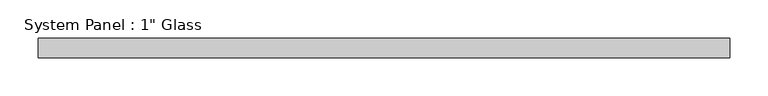
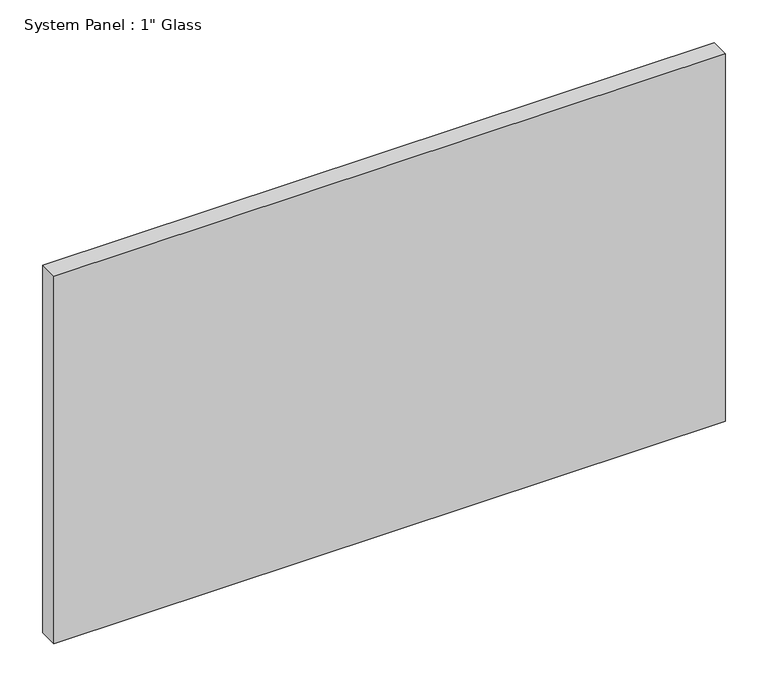
"""IFC4 building model written with IfcOpenShell, lengths in millimetres: plate geometry."""

from ifc_helpers import new_model, si_unit, origin, origin_with_axes, place, context, project, spatial, polyline, outline, extrude, source, transform, mapped, element, save


def plate_682e4c36(model_context):
    return source(origin(), model_context, "Body", "SweptSolid", [
        extrude(outline(polyline([(452.4375, -12.7), (-452.4375, -12.7), (-452.4375, 12.7), (452.4375, 12.7), (452.4375, -12.7)])), origin_with_axes(), (0.0, 0.0, 1.0), 523.875),
    ])


if __name__ == "__main__":
    model = new_model("IFC4")
    model_context = context("Model", 3, world=origin())
    ifc_project = project(units=[si_unit("LENGTHUNIT", "METRE", prefix="MILLI")], contexts=[model_context])
    site = spatial("IfcSite", under=ifc_project)
    building = spatial("IfcBuilding", under=site)
    placement = place(None, origin())
    plate_shape = plate_682e4c36(model_context)
    element("IfcPlate", 1, ObjectType="System Panel : 1\" Glass", at=placement, inside=building, context=model_context, shape_type="MappedRepresentation", body=[
        mapped(plate_shape, transform((0.0, 0.0, 0.0), x_axis=(1.0, 0.0, 0.0), y_axis=(0.0, 1.0, 0.0), z_axis=(0.0, 0.0, 1.0))),
    ])
    save(model, "model.ifc")
